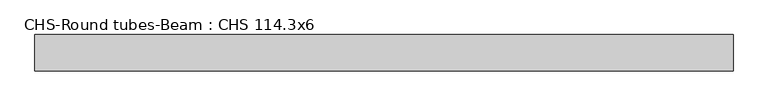
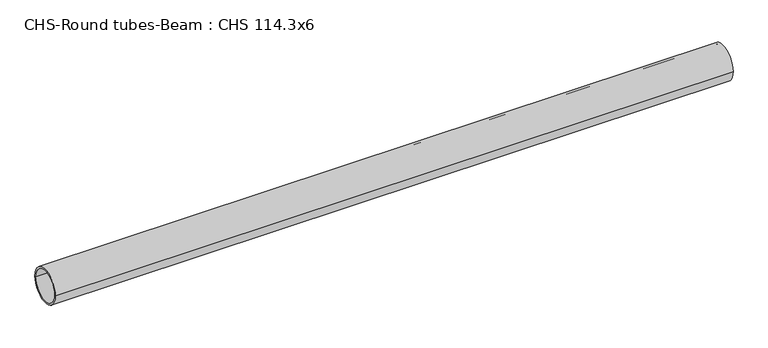
"""IFC4 building model written with IfcOpenShell, lengths in millimetres: beam geometry, CHS-Round tubes-Beam : CHS 114.3x6."""

from ifc_helpers import new_model, si_unit, point, frame, origin, origin_2d, place, context, project, spatial, circle_curve, trimmed, segment, composite_curve, outline, extrude, source, transform, mapped, element, save


def chs_round_tubes_beam_chs_114_3x6_052717aa(model_context):
    return source(origin(), model_context, "Body", "SweptSolid", [
        extrude(outline(composite_curve([segment(trimmed(circle_curve(origin_2d(), 57.15), [point((57.15, 0.0))], [point((-57.15, 0.0))], False, "CARTESIAN"), True, "CONTINUOUS"), segment(trimmed(circle_curve(origin_2d(), 57.15), [point((-57.15, 0.0))], [point((57.15, 0.0))], False, "CARTESIAN"), True, "CONTINUOUS")], self_intersect=False), holes=[composite_curve([segment(trimmed(circle_curve(origin_2d(), 51.15), [point((51.15, 0.0))], [point((-51.15, 0.0))], True, "CARTESIAN"), True, "CONTINUOUS"), segment(trimmed(circle_curve(origin_2d(), 51.15), [point((-51.15, 0.0))], [point((51.15, 0.0))], True, "CARTESIAN"), True, "CONTINUOUS")], self_intersect=False)]), frame((-1057.6542007, 0.0, 0.0), z_axis=(1.0, 0.0, 0.0), x_axis=(0.0, 1.0, 0.0)), (0.0, 0.0, 1.0), 2189.8325062),
    ])


if __name__ == "__main__":
    model = new_model("IFC4")
    model_context = context("Model", 3, world=origin())
    ifc_project = project(units=[si_unit("LENGTHUNIT", "METRE", prefix="MILLI")], contexts=[model_context])
    site = spatial("IfcSite", under=ifc_project)
    building = spatial("IfcBuilding", under=site)
    placement = place(None, origin())
    chs_round_tubes_beam_chs_114_3x6_shape = chs_round_tubes_beam_chs_114_3x6_052717aa(model_context)
    element("IfcBeam", 1, ObjectType="CHS-Round tubes-Beam : CHS 114.3x6", at=placement, inside=building, context=model_context, shape_type="MappedRepresentation", body=[
        mapped(chs_round_tubes_beam_chs_114_3x6_shape, transform((0.0, 0.0, 0.0), x_axis=(1.0, 0.0, 0.0), y_axis=(0.0, 1.0, 0.0), z_axis=(0.0, 0.0, 1.0))),
    ])
    save(model, "model.ifc")
